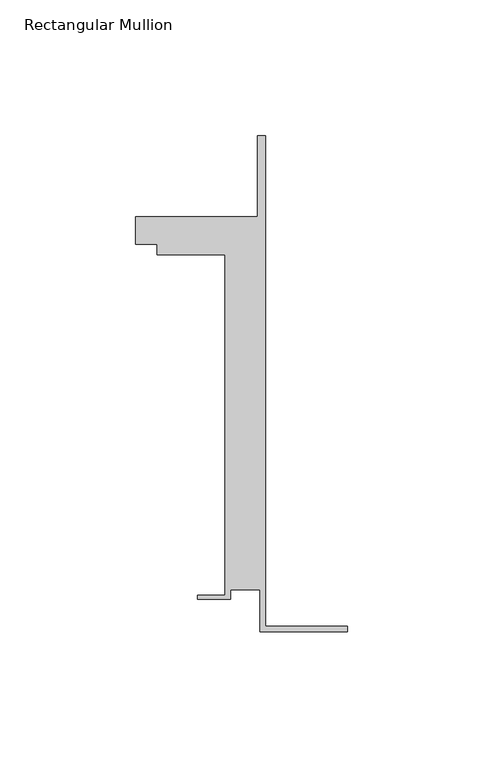
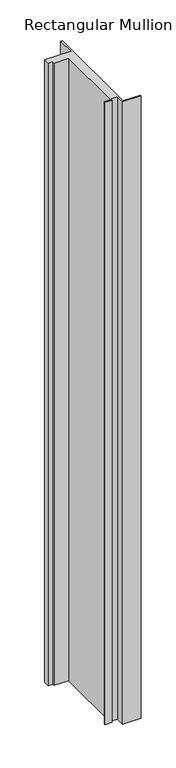
"""IFC4 building model written with IfcOpenShell, lengths in millimetres: member geometry, Rectangular Mullion."""

import ifcopenshell
import ifcopenshell.guid

model = None  # the IFC model being written
_history = None  # IfcOwnerHistory: only IFC2X3 demands one
_inside = {}  # id of a spatial element -> (the spatial element, [elements in it])
_under = {}  # id of a project, library or spatial element -> (it, [spatial elements below it])
_declared = {}  # id of a project -> (the project, [libraries it declares])
_typed = {}  # id of a type object -> (the type object, [elements of that type])
_made_of = {}  # id of a material, layer set ... -> (it, [elements and type objects made of it])


def new_model(schema):
    """Start an empty IFC model of exactly this schema.

    Asked for "IFC4X3", IfcOpenShell would pick the latest addendum, in which some entities
    have other attributes; the version numbers below select the first issue.
    IFC2X3 requires an IfcOwnerHistory on every rooted entity: one is made here for all.
    """
    global model, _history
    if schema == "IFC4X3":
        model = ifcopenshell.file(schema_version=(4, 3, 0, 0))
    else:
        model = ifcopenshell.file(schema=schema)
    _inside.clear()
    _under.clear()
    _declared.clear()
    _typed.clear()
    _made_of.clear()
    _history = None
    if model.schema == "IFC2X3":
        org = make("IfcOrganization", Name="unknown")
        user = make(
            "IfcPersonAndOrganization",
            ThePerson=make("IfcPerson", FamilyName="unknown"),
            TheOrganization=org,
        )
        app = make(
            "IfcApplication",
            ApplicationDeveloper=org,
            Version="unknown",
            ApplicationFullName="unknown",
            ApplicationIdentifier="unknown",
        )
        _history = make(
            "IfcOwnerHistory",
            OwningUser=user,
            OwningApplication=app,
            ChangeAction="ADDED",
            CreationDate=0,
        )
    return model


def make(cls, **values):
    """One entity of the class cls with the attributes given. An attribute that is None is left unset."""
    return model.create_entity(
        cls, **{name: value for name, value in values.items() if value is not None}
    )


def rooted(cls, **values):
    """An entity with a GlobalId (a new one), such as an element, a storey or a relation."""
    return make(cls, GlobalId=ifcopenshell.guid.new(), OwnerHistory=_history, **values)


def si_unit(unit_type, name, prefix=None):
    """IfcSIUnit, for example si_unit("LENGTHUNIT", "METRE", prefix="MILLI")."""
    return make("IfcSIUnit", UnitType=unit_type, Prefix=prefix, Name=name)


def assignment(units):
    """IfcUnitAssignment: the units of a project."""
    return None if units is None else make("IfcUnitAssignment", Units=units)


def point(xyz):
    """IfcCartesianPoint."""
    return None if xyz is None else make("IfcCartesianPoint", Coordinates=xyz)


def direction(xyz):
    """IfcDirection."""
    return None if xyz is None else make("IfcDirection", DirectionRatios=xyz)


def frame(location, z_axis=None, x_axis=None):
    """IfcAxis2Placement3D, a coordinate frame: its origin and axes. An axis left out is left unset."""
    return make(
        "IfcAxis2Placement3D",
        Location=point(location),
        Axis=direction(z_axis),
        RefDirection=direction(x_axis),
    )


def origin():
    """The frame at (0, 0, 0) with its axes left unset."""
    return frame((0.0, 0.0, 0.0))


def place(relative_to, where):
    """IfcLocalPlacement: puts the frame where relative to a parent placement (None: the world)."""
    return make(
        "IfcLocalPlacement", PlacementRelTo=relative_to, RelativePlacement=where
    )


def context(
    kind, dimensions, precision=None, world=None, true_north=None, identifier=None
):
    """IfcGeometricRepresentationContext, for example the 3D "Model" context."""
    return make(
        "IfcGeometricRepresentationContext",
        ContextIdentifier=identifier,
        ContextType=kind,
        CoordinateSpaceDimension=dimensions,
        Precision=precision,
        WorldCoordinateSystem=world,
        TrueNorth=true_north,
    )


def project(units=None, contexts=None):
    """IfcProject with its units and contexts."""
    return rooted(
        "IfcProject",
        Name="project",
        RepresentationContexts=contexts,
        UnitsInContext=assignment(units),
    )


def spatial(cls, under=None, at=None, **own):
    """A site, building, storey or space (cls), placed at a placement, below another one or the project."""
    s = rooted(cls, ObjectPlacement=at, **own)
    if under is not None:
        _under.setdefault(under.id(), (under, []))[1].append(s)
    return s


def polyline(points):
    """IfcPolyline through the points."""
    return make("IfcPolyline", Points=[point(p) for p in points])


def outline(outer, holes=None, kind="AREA"):
    """IfcArbitraryClosedProfileDef: a profile drawn as a closed curve; with holes, ...WithVoids."""
    if holes is None:
        return make("IfcArbitraryClosedProfileDef", ProfileType=kind, OuterCurve=outer)
    return make(
        "IfcArbitraryProfileDefWithVoids",
        ProfileType=kind,
        OuterCurve=outer,
        InnerCurves=holes,
    )


def extrude(swept, where, along, depth):
    """IfcExtrudedAreaSolid: the profile swept, set in the frame where, extruded along a direction by depth."""
    return make(
        "IfcExtrudedAreaSolid",
        SweptArea=swept,
        Position=where,
        ExtrudedDirection=direction(along),
        Depth=depth,
    )


def shape(context_of_items, identifier, shape_type, items):
    """IfcShapeRepresentation: the items that make up one representation, for example the "Body"."""
    return make(
        "IfcShapeRepresentation",
        ContextOfItems=context_of_items,
        RepresentationIdentifier=identifier,
        RepresentationType=shape_type,
        Items=items,
    )


def source(mapping_origin, context_of_items, identifier, shape_type, items):
    """IfcRepresentationMap: a shape defined once, which mapped items show again and again."""
    return make(
        "IfcRepresentationMap",
        MappingOrigin=mapping_origin,
        MappedRepresentation=shape(context_of_items, identifier, shape_type, items),
    )


def transform(
    local_origin,
    x_axis=None,
    y_axis=None,
    z_axis=None,
    scale=None,
    scale2=None,
    scale3=None,
    uniform=True,
):
    """IfcCartesianTransformationOperator3D, or its non-uniform kind. x_axis, y_axis, z_axis: its Axis1, 2, 3."""
    if uniform:
        return make(
            "IfcCartesianTransformationOperator3D",
            Axis1=direction(x_axis),
            Axis2=direction(y_axis),
            LocalOrigin=point(local_origin),
            Scale=scale,
            Axis3=direction(z_axis),
        )
    return make(
        "IfcCartesianTransformationOperator3DnonUniform",
        Axis1=direction(x_axis),
        Axis2=direction(y_axis),
        LocalOrigin=point(local_origin),
        Scale=scale,
        Axis3=direction(z_axis),
        Scale2=scale2,
        Scale3=scale3,
    )


def mapped(mapping_source, mapping_target):
    """IfcMappedItem: shows the shape of a source again, moved by a transform."""
    return make(
        "IfcMappedItem", MappingSource=mapping_source, MappingTarget=mapping_target
    )


def made_of(thing, what):
    """Note that an element or type object is made of a material, layer set ...; save() writes the relation."""
    if what is not None:
        _made_of.setdefault(what.id(), (what, []))[1].append(thing)
    return thing


def element(
    cls,
    number,
    at=None,
    inside=None,
    cuts=None,
    type_object=None,
    material=None,
    context=None,
    identifier="Body",
    shape_type=None,
    held_by="IfcProductDefinitionShape",
    body=None,
    shapes=None,
    **own,
):
    """One element of the class cls, such as IfcWall. Its Tag is "e" and its number.

    at: its placement. inside: the storey or other place that contains it. cuts: it is an
    opening in that element (IfcRelVoidsElement). A single representation is given by context,
    identifier, shape_type and body (its items); several are given by shapes. held_by: the class
    of the entity that holds the representations. save() writes the other relations.
    """
    e = rooted(cls, Tag="e%d" % number, ObjectPlacement=at, **own)
    if body is not None:
        shapes = [shape(context, identifier, shape_type, body)]
    if shapes is not None:
        e.Representation = make(held_by, Representations=shapes)
    if inside is not None:
        _inside.setdefault(inside.id(), (inside, []))[1].append(e)
    if cuts is not None:
        rooted(
            "IfcRelVoidsElement", RelatingBuildingElement=cuts, RelatedOpeningElement=e
        )
    if type_object is not None:
        _typed.setdefault(type_object.id(), (type_object, []))[1].append(e)
    return made_of(e, material)


def aggregate(whole, parts):
    """IfcRelAggregates: a whole, such as a stair, and the parts it consists of."""
    return rooted("IfcRelAggregates", RelatingObject=whole, RelatedObjects=parts)


def save(model, path):
    """Write the relations noted so far, then the file.

    IfcRelAggregates (storeys below a building ...), IfcRelContainedInSpatialStructure (elements
    in a storey), IfcRelDefinesByType, IfcRelAssociatesMaterial and IfcRelDeclares: one each for
    every whole, place, type object, material and project.
    """
    for whole, parts in _under.values():
        aggregate(whole, parts)
    for where, things in _inside.values():
        rooted(
            "IfcRelContainedInSpatialStructure",
            RelatedElements=things,
            RelatingStructure=where,
        )
    for kind, things in _typed.values():
        rooted("IfcRelDefinesByType", RelatedObjects=things, RelatingType=kind)
    for what, things in _made_of.values():
        rooted("IfcRelAssociatesMaterial", RelatedObjects=things, RelatingMaterial=what)
    for by, libraries in _declared.values():
        rooted("IfcRelDeclares", RelatingContext=by, RelatedDefinitions=libraries)
    model.write(path)


def rectangular_mullion_9e1efc04(model_context):
    return source(origin(), model_context, "Body", "SweptSolid", [
        extrude(outline(polyline([(-32.1465839, -41.25), (-32.1465839, -25.75), (-43.1465839, -25.75), (-43.1465839, -29.25), (-55.1465839, -29.25), (-55.1465839, -27.75), (-45.1465839, -27.75), (-45.1465839, 97.75), (-70.1466122, 97.75), (-70.1466122, 101.75), (-78.1466122, 101.75), (-78.1466122, 111.75), (-33.1466122, 111.75), (-33.1466122, 141.75), (-30.1465839, 141.75), (-30.1465839, -39.25), (0.0, -39.25), (0.0, -41.25), (-32.1465839, -41.25)])), frame((0.0, 0.0, -1135.0055769), z_axis=(0.0, 0.0, 1.0), x_axis=(1.0, 0.0, 0.0)), (0.0, 0.0, 1.0), 1135.0055769),
    ])


if __name__ == "__main__":
    model = new_model("IFC4")
    model_context = context("Model", 3, world=origin())
    ifc_project = project(units=[si_unit("LENGTHUNIT", "METRE", prefix="MILLI")], contexts=[model_context])
    site = spatial("IfcSite", under=ifc_project)
    building = spatial("IfcBuilding", under=site)
    placement = place(None, origin())
    rectangular_mullion_shape = rectangular_mullion_9e1efc04(model_context)
    element("IfcMember", 1, ObjectType="Rectangular Mullion", at=placement, inside=building, context=model_context, shape_type="MappedRepresentation", body=[
        mapped(rectangular_mullion_shape, transform((0.0, 0.0, 0.0), x_axis=(1.0, 0.0, 0.0), y_axis=(0.0, 1.0, 0.0), z_axis=(0.0, 0.0, 1.0))),
    ])
    save(model, "model.ifc")
